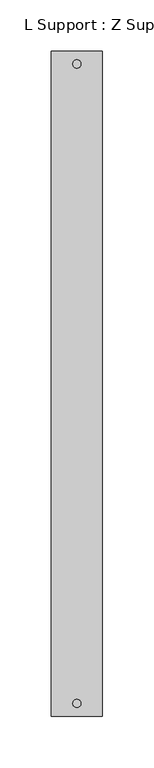
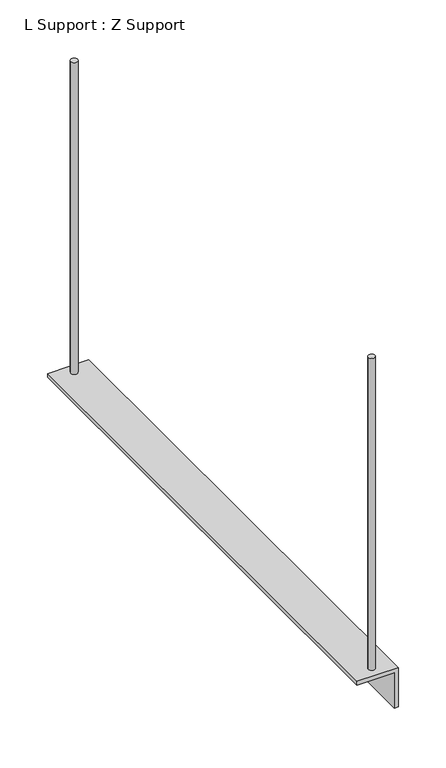
"""IFC4 building model written with IfcOpenShell, lengths in millimetres: proxy geometry, L Support : Z Support."""

from ifc_helpers import new_model, si_unit, point, frame, frame_2d, origin, origin_with_axes, place, context, project, spatial, polyline, circle_curve, trimmed, segment, composite_curve, outline, extrude, source, transform, mapped, element, save


def l_support_z_support_7aaeecef(model_context):
    return source(origin(), model_context, "Body", "SweptSolid", [
        extrude(outline(polyline([(0.0, 25.0), (0.0, -25.0), (-5.0, -25.0), (-5.0, 20.0), (-50.0, 20.0), (-50.0, 25.0), (0.0, 25.0)])), frame((0.0, -325.0, 0.0), z_axis=(0.0, 1.0, 0.0), x_axis=(0.0, 0.0, 1.0)), (0.0, 0.0, 1.0), 650.0),
        extrude(outline(composite_curve([segment(trimmed(circle_curve(frame_2d((0.0, -312.5)), 4.0), [point((-4.0, -312.5))], [point((4.0, -312.5))], False, "CARTESIAN"), True, "CONTINUOUS"), segment(trimmed(circle_curve(frame_2d((0.0, -312.5)), 4.0), [point((4.0, -312.5))], [point((-4.0, -312.5))], False, "CARTESIAN"), True, "CONTINUOUS")], self_intersect=False)), origin_with_axes(), (0.0, 0.0, 1.0), 400.0),
        extrude(outline(composite_curve([segment(trimmed(circle_curve(frame_2d((0.0, 312.5)), 4.0), [point((-4.0, 312.5))], [point((4.0, 312.5))], False, "CARTESIAN"), True, "CONTINUOUS"), segment(trimmed(circle_curve(frame_2d((0.0, 312.5)), 4.0), [point((4.0, 312.5))], [point((-4.0, 312.5))], False, "CARTESIAN"), True, "CONTINUOUS")], self_intersect=False)), origin_with_axes(), (0.0, 0.0, 1.0), 400.0),
    ])


if __name__ == "__main__":
    model = new_model("IFC4")
    model_context = context("Model", 3, world=origin())
    ifc_project = project(units=[si_unit("LENGTHUNIT", "METRE", prefix="MILLI")], contexts=[model_context])
    site = spatial("IfcSite", under=ifc_project)
    building = spatial("IfcBuilding", under=site)
    placement = place(None, origin())
    l_support_z_support_shape = l_support_z_support_7aaeecef(model_context)
    element("IfcBuildingElementProxy", 1, Name="L Support : Z Support", ObjectType="L Support : Z Support", at=placement, inside=building, context=model_context, shape_type="MappedRepresentation", body=[
        mapped(l_support_z_support_shape, transform((0.0, 0.0, 0.0), x_axis=(1.0, 0.0, 0.0), y_axis=(0.0, 1.0, 0.0), z_axis=(0.0, 0.0, 1.0))),
    ])
    save(model, "model.ifc")
